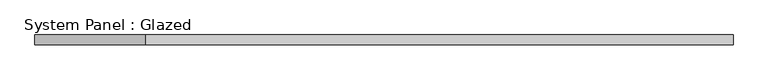
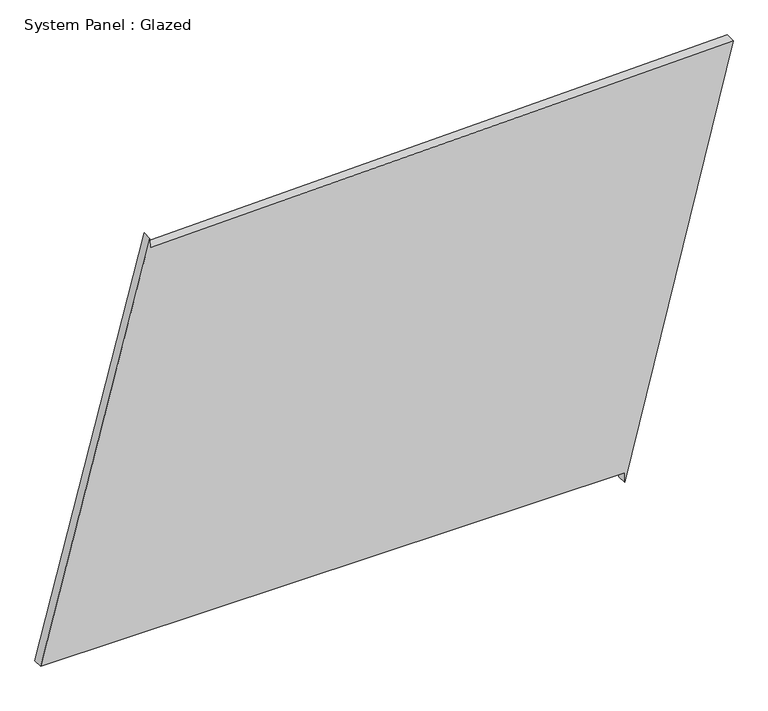
"""IFC4 building model written with IfcOpenShell, lengths in millimetres: plate geometry, System Panel : Glazed."""

from ifc_helpers import new_model, si_unit, frame, origin, place, context, project, spatial, polyline, outline, extrude, source, transform, mapped, element, save


def system_panel_glazed_4606fd23(model_context):
    return source(origin(), model_context, "Body", "SweptSolid", [
        extrude(outline(polyline([(25.0, 604.6981175), (0.0, 604.6981175), (1090.6456576, 880.3387112), (1052.4046759, -601.7461833), (1077.3963581, -602.3910225), (25.0, -880.3387112), (25.0, 604.6981175)])), frame((0.0, -49.5, 0.0), z_axis=(0.0, 1.0, 0.0), x_axis=(0.0, 0.0, 1.0)), (0.0, 0.0, 1.0), 25.0),
    ])


if __name__ == "__main__":
    model = new_model("IFC4")
    model_context = context("Model", 3, world=origin())
    ifc_project = project(units=[si_unit("LENGTHUNIT", "METRE", prefix="MILLI")], contexts=[model_context])
    site = spatial("IfcSite", under=ifc_project)
    building = spatial("IfcBuilding", under=site)
    placement = place(None, origin())
    system_panel_glazed_shape = system_panel_glazed_4606fd23(model_context)
    element("IfcPlate", 1, ObjectType="System Panel : Glazed", at=placement, inside=building, context=model_context, shape_type="MappedRepresentation", body=[
        mapped(system_panel_glazed_shape, transform((0.0, 0.0, 0.0), x_axis=(1.0, 0.0, 0.0), y_axis=(0.0, 1.0, 0.0), z_axis=(0.0, 0.0, 1.0))),
    ])
    save(model, "model.ifc")
